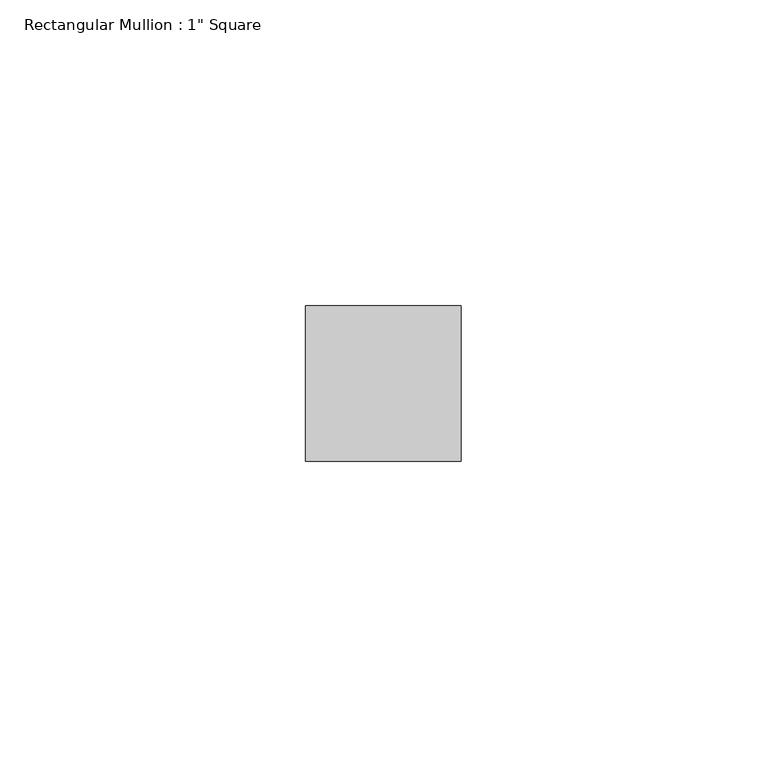
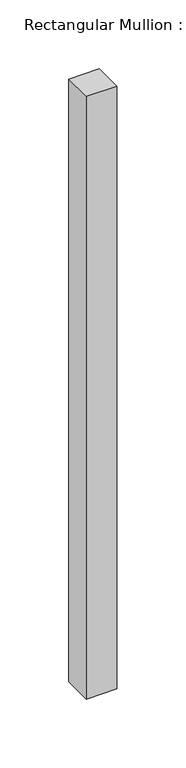
"""IFC4 building model written with IfcOpenShell, lengths in millimetres: member geometry."""

from ifc_helpers import new_model, si_unit, frame, origin, place, context, project, spatial, polyline, outline, extrude, source, transform, mapped, element, save


def member_f8418f2c(model_context):
    return source(origin(), model_context, "Body", "SweptSolid", [
        extrude(outline(polyline([(12.7, 12.7), (12.7, -12.7), (-12.7, -12.7), (-12.7, 12.7), (12.7, 12.7)])), frame((0.0, 0.0, -533.4), z_axis=(0.0, 0.0, 1.0), x_axis=(1.0, 0.0, 0.0)), (0.0, 0.0, 1.0), 533.4),
    ])


if __name__ == "__main__":
    model = new_model("IFC4")
    model_context = context("Model", 3, world=origin())
    ifc_project = project(units=[si_unit("LENGTHUNIT", "METRE", prefix="MILLI")], contexts=[model_context])
    site = spatial("IfcSite", under=ifc_project)
    building = spatial("IfcBuilding", under=site)
    placement = place(None, origin())
    member_shape = member_f8418f2c(model_context)
    element("IfcMember", 1, ObjectType="Rectangular Mullion : 1\" Square", at=placement, inside=building, context=model_context, shape_type="MappedRepresentation", body=[
        mapped(member_shape, transform((0.0, 0.0, 0.0), x_axis=(1.0, 0.0, 0.0), y_axis=(0.0, 1.0, 0.0), z_axis=(0.0, 0.0, 1.0))),
    ])
    save(model, "model.ifc")
